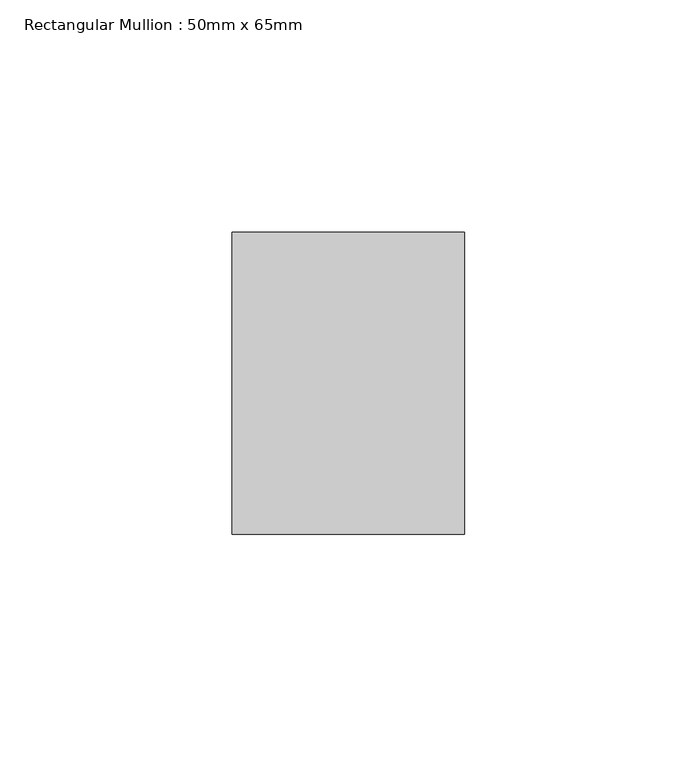
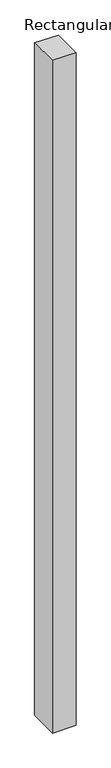
"""IFC4 building model written with IfcOpenShell, lengths in millimetres: member geometry, Rectangular Mullion : 50mm x 65mm."""

from ifc_helpers import new_model, si_unit, origin, place, context, project, spatial, faceted_brep, source, transform, mapped, element, save


def rectangular_mullion_50mm_x_65mm_6e04b992(model_context):
    return source(origin(), model_context, "Body", "Brep", [
        faceted_brep([(-25.0, 32.5, -0.1073312), (25.0, 32.5, -0.1073304), (25.0, 32.5, -1499.9557127), (-25.0, 32.5, -1499.9557123), (-25.0, -32.5, 0.1073304), (-25.0, -32.5, -1500.0443853), (25.0, -32.5, 0.1073312), (25.0, -32.5, -1500.0443857)], [[[0, 1, 2, 3]], [[4, 0, 3, 5]], [[6, 4, 5, 7]], [[1, 6, 7, 2]], [[1, 0, 4, 6]], [[2, 7, 5, 3]]]),
    ])


if __name__ == "__main__":
    model = new_model("IFC4")
    model_context = context("Model", 3, world=origin())
    ifc_project = project(units=[si_unit("LENGTHUNIT", "METRE", prefix="MILLI")], contexts=[model_context])
    site = spatial("IfcSite", under=ifc_project)
    building = spatial("IfcBuilding", under=site)
    placement = place(None, origin())
    rectangular_mullion_50mm_x_65mm_shape = rectangular_mullion_50mm_x_65mm_6e04b992(model_context)
    element("IfcMember", 1, ObjectType="Rectangular Mullion : 50mm x 65mm", at=placement, inside=building, context=model_context, shape_type="MappedRepresentation", body=[
        mapped(rectangular_mullion_50mm_x_65mm_shape, transform((0.0, 0.0, 0.0), x_axis=(1.0, 0.0, 0.0), y_axis=(0.0, 1.0, 0.0), z_axis=(0.0, 0.0, 1.0))),
    ])
    save(model, "model.ifc")
